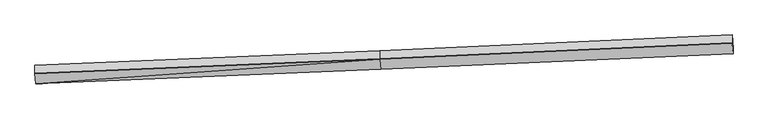
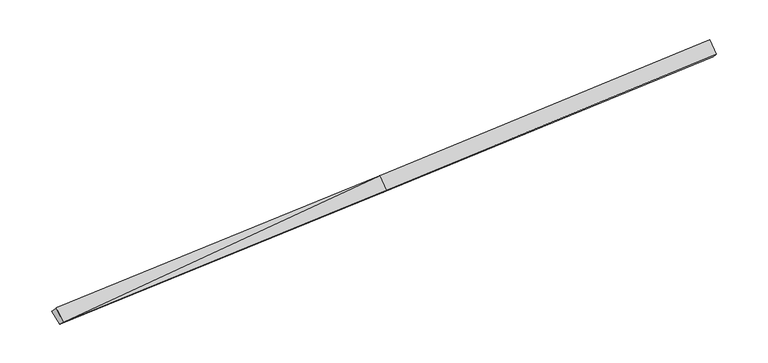
"""IFC4 building model written with IfcOpenShell, lengths in millimetres: proxy geometry."""

from ifc_helpers import new_model, si_unit, frame, origin, place, context, project, spatial, source, transform, mapped, element, save
from ifc_brep_helpers import plane_surface, spline_surface, advanced_brep


def generic_models_ae54d317(model_context):
    return source(origin(), model_context, "Body", "AdvancedBrep", [
        advanced_brep(
        [(-16566.5490061, -2693.6356677, 1150.7968829), (-16565.4093836, -2430.2955171, 875.9215319), (-107.2643094, -1731.9492776, 1627.3430678), (-108.4238073, -1999.882168, 1907.0123364), (-16610.2273835, -2203.5340126, 1620.1502328), (-152.4428339, -1505.9581919, 2380.0261905), (-16610.1675081, -2189.6982149, 1605.7083798), (-152.3466664, -1483.7361108, 2356.8307062), (-16608.4963531, -1803.5333177, 1202.6281376), (-150.6803433, -1098.6877694, 1954.9159288), (16659.9550735, -738.0569349, 3140.9204522), (16659.858906, -760.2790159, 3164.1159365), (16703.8779326, -1254.202992, 2691.1020824), (16705.0374305, -986.2701016, 2411.4328138), (16661.6213966, -353.0085935, 2739.0056748)],
        [
            (0, 1),
            (1, 2),
            (2, 3),
            (3, 0),
            (4, 0),
            (0, 5),
            (5, 4),
            (6, 4),
            (5, 7),
            (7, 6),
            (8, 6),
            (7, 9),
            (9, 8),
            (1, 8),
            (9, 2),
            (10, 11),
            (11, 12),
            (12, 13),
            (13, 14),
            (14, 10),
            (3, 5),
            (5, 11),
            (10, 7),
            (3, 12),
            (2, 13),
            (9, 14),
        ],
        [
            plane_surface(frame((-16565.9791948, -2561.9655924, 1013.3592074), z_axis=(0.062103790196362474, -0.7208306305149169, -0.6903233455089823), x_axis=(0.0029937680544132005, 0.6917898834969275, -0.7220926494876846))),
            plane_surface(frame((-16588.3881948, -2448.5848402, 1385.4735578), z_axis=(-0.00401373161447223, -0.6918348164019429, 0.7220446501239497), x_axis=(0.06423290789154038, -0.7207377280773798, -0.6902255145020747))),
            plane_surface(frame((-16610.1974458, -2196.6161138, 1612.9293063), z_axis=(-0.06242477242305264, 0.7208168354959725, 0.6903087986209521), x_axis=(-0.0029937680544830664, -0.6917898834969052, 0.7220926494877055))),
            plane_surface(frame((-16609.3319306, -1996.6157663, 1404.1682587), z_axis=(-0.0624247724230529, 0.7208168354959422, 0.6903087986209839), x_axis=(-0.002993768054397128, -0.6917898834969334, 0.7220926494876789))),
            spline_surface(1, 1, [[(-16565.4093836, -2430.2955171, 875.9215319), (-107.2643094, -1731.9492776, 1627.3430678)], [(-16608.4963531, -1803.5333177, 1202.6281376), (-150.6803433, -1098.6877694, 1954.9159288)]], [2, 2], [2, 2], [0.0, 1.0], [0.0, 1.0]),
            plane_surface(frame((16682.5989164, -838.4401758, 2751.4141269), z_axis=(0.9979304439171273, 0.04431573554803436, 0.04659339745288386), x_axis=(-0.002993768054417601, -0.6917898834969323, 0.7220926494876799))),
            plane_surface(frame((-16587.6705316, -2282.7496288, 1212.3741963), z_axis=(-0.9979304439171266, -0.04431573554804546, -0.046593397452884024), x_axis=(-0.0029937680544104587, -0.6917898834969275, 0.7220926494876846))),
            plane_surface(frame((-16566.5490061, -2693.6356677, 1150.7968829), z_axis=(-0.004013731614472521, -0.6918348164019409, 0.7220446501239518), x_axis=(0.06423290789153532, -0.720737728077382, -0.6902255145020729))),
            plane_surface(frame((-152.3947501, -1494.8471514, 2368.4284483), z_axis=(-0.06415796613141414, 0.7207410540236848, 0.6902290115800034), x_axis=(-0.002993768054287164, -0.6917898834969313, 0.7220926494876814))),
            plane_surface(frame((-130.4333206, -1752.9201799, 2143.5192634), z_axis=(-0.0029937680544136307, -0.6917898834969254, 0.7220926494876865), x_axis=(0.06423290789153224, -0.7207377280773825, -0.6902255145020727))),
            plane_surface(frame((-107.8440583, -1865.9157228, 1767.1777021), z_axis=(0.06415796613141406, -0.7207410540236939, -0.690229011579994), x_axis=(0.002993768054412557, 0.6917898834969274, -0.7220926494876846))),
            plane_surface(frame((-128.9723263, -1415.3185235, 1791.1294983), z_axis=(0.020963607328828494, 0.4604817744738505, -0.8874215810679708), x_axis=(-0.06078215045772107, 0.886561778223893, 0.4585997640407415))),
            plane_surface(frame((-151.5135048, -1291.2119401, 2155.8733175), z_axis=(-0.06415796613141411, 0.7207410540236896, 0.6902290115799982), x_axis=(-0.002993768054425129, -0.6917898834969323, 0.7220926494876798))),
        ],
        [
            (0, [[1, 2, 3, 4]]),
            (1, [[5, 6, 7]]),
            (2, [[8, -7, 9, 10]]),
            (3, [[11, -10, 12, 13]]),
            (4, [[14, -13, 15, -2]]),
            (5, [[16, 17, 18, 19, 20]]),
            (6, [[-1, -5, -8, -11, -14]]),
            (7, [[21, -6, -4]]),
            (8, [[-9, 22, -16, 23]]),
            (9, [[-21, 24, -17, -22]]),
            (10, [[-3, 25, -18, -24]]),
            (11, [[-15, 26, -19, -25]]),
            (12, [[-12, -23, -20, -26]]),
        ],
    ),
    ])


if __name__ == "__main__":
    model = new_model("IFC4")
    model_context = context("Model", 3, world=origin())
    ifc_project = project(units=[si_unit("LENGTHUNIT", "METRE", prefix="MILLI")], contexts=[model_context])
    site = spatial("IfcSite", under=ifc_project)
    building = spatial("IfcBuilding", under=site)
    placement = place(None, origin())
    generic_models_shape = generic_models_ae54d317(model_context)
    element("IfcBuildingElementProxy", 1, Name="Generic Models", at=placement, inside=building, context=model_context, shape_type="MappedRepresentation", body=[
        mapped(generic_models_shape, transform((0.0, 0.0, 0.0), x_axis=(1.0, 0.0, 0.0), y_axis=(0.0, 1.0, 0.0), z_axis=(0.0, 0.0, 1.0))),
    ])
    save(model, "model.ifc")
